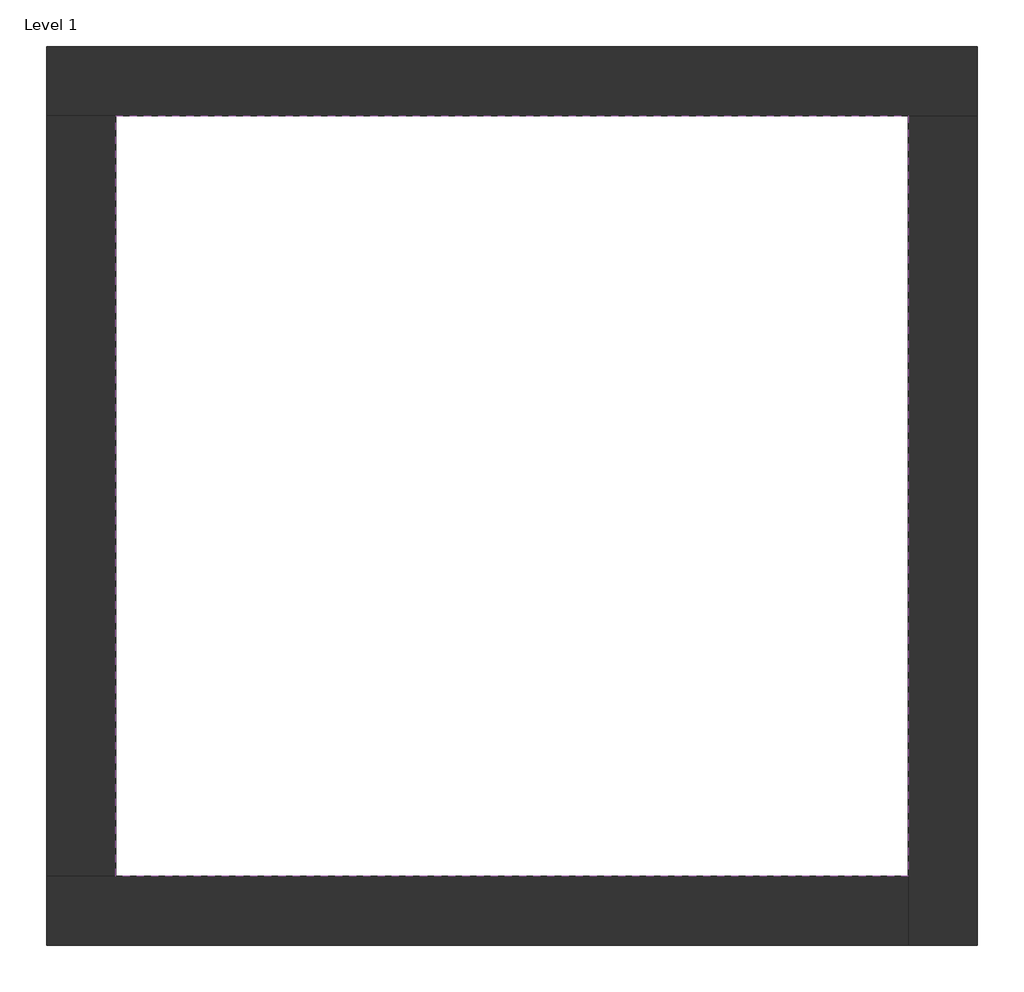
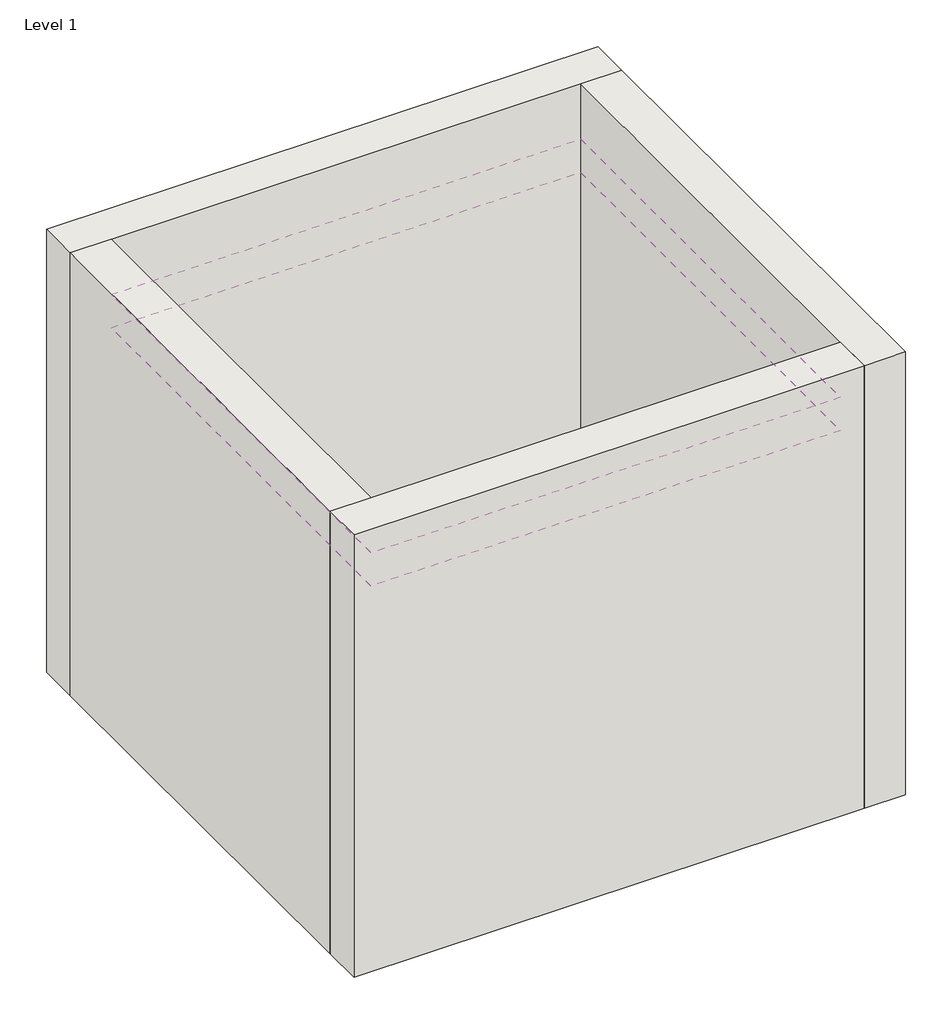
# One storey: 4 walls, 2 coverings.
"""IFC4 building model written with IfcOpenShell, lengths in millimetres."""

from ifc_helpers import new_model, si_unit, frame, origin, origin_with_axes, place, context, project, spatial, polyline, outline, extrude, faceted_brep, element, save

model = new_model("IFC4")

# Units and contexts
model_context = context("Model", 3, world=origin())
ifc_project = project(units=[si_unit("LENGTHUNIT", "METRE", prefix="MILLI")], contexts=[model_context])

# Site, building, storey
site = spatial("IfcSite", under=ifc_project)
building = spatial("IfcBuilding", under=site)
storey = spatial("IfcBuildingStorey", under=building, Name="Level 1", Elevation=0.0)

# Coverings
placement = place(None, origin())
element("IfcCovering", 1, at=placement, inside=storey, context=model_context, shape_type="SweptSolid", body=[
    extrude(outline(polyline([(-14894.8573003, 6921.2750283), (-10882.3573003, 6921.2750283), (-10882.3573003, 3071.2750283), (-14894.8573003, 3071.2750283), (-14894.8573003, 6921.2750283)])), frame((0.0, 0.0, 3500.0), z_axis=(0.0, 0.0, 1.0), x_axis=(1.0, 0.0, 0.0)), (0.0, 0.0, 1.0), 192.0),
])
element("IfcCovering", 2, at=placement, inside=storey, context=model_context, shape_type="SweptSolid", body=[
    extrude(outline(polyline([(-14894.8573003, 6921.8033727), (-10882.3573003, 6921.8033727), (-10882.3573003, 3071.8033727), (-14894.8573003, 3071.8033727), (-14894.8573003, 6921.8033727)])), frame((0.0, 0.0, 3200.0), z_axis=(0.0, 0.0, 1.0), x_axis=(1.0, 0.0, 0.0)), (0.0, 0.0, 1.0), 192.0),
])

# Walls
element("IfcWall", 3, ObjectType="Exterior - Brick on Mtl. Stud", at=placement, inside=storey, context=model_context, shape_type="Brep", body=[
    faceted_brep([(-15244.8573003, 6921.2750283, 0.0), (-14894.8573003, 6921.2750283, 0.0), (-10882.3573003, 6921.2750283, 0.0), (-10532.3573003, 6921.2750283, 0.0), (-10532.3573003, 6921.2750283, 4000.0), (-10882.3573003, 6921.2750283, 4000.0), (-14894.8573003, 6921.2750283, 4000.0), (-15244.8573003, 6921.2750283, 4000.0), (-15244.8573003, 7271.2750283, 0.0), (-15244.8573003, 7271.2750283, 4000.0), (-10532.3573003, 7271.2750283, 4000.0), (-10532.3573003, 7271.2750283, 0.0)], [[[0, 1, 2, 3, 4, 5, 6, 7]], [[8, 9, 10, 11]], [[3, 2, 1, 0, 8, 11]], [[7, 6, 5, 4, 10, 9]], [[0, 7, 9, 8]], [[4, 3, 11, 10]]]),
])
element("IfcWall", 4, ObjectType="Exterior - Brick on Mtl. Stud", at=placement, inside=storey, context=model_context, shape_type="Brep", body=[
    faceted_brep([(-10882.3573003, 6921.2750283, 0.0), (-10882.3573003, 3071.2750283, 0.0), (-10882.3573003, 2721.2750283, 0.0), (-10882.3573003, 2721.2750283, 4000.0), (-10882.3573003, 3071.2750283, 4000.0), (-10882.3573003, 6921.2750283, 4000.0), (-10532.3573003, 6921.2750283, 0.0), (-10532.3573003, 6921.2750283, 4000.0), (-10532.3573003, 2721.2750283, 4000.0), (-10532.3573003, 2721.2750283, 0.0)], [[[0, 1, 2, 3, 4, 5]], [[6, 7, 8, 9]], [[2, 1, 0, 6, 9]], [[5, 4, 3, 8, 7]], [[3, 2, 9, 8]], [[0, 5, 7, 6]]]),
])
element("IfcWall", 5, ObjectType="Exterior - Brick on Mtl. Stud", at=placement, inside=storey, context=model_context, shape_type="Brep", body=[
    faceted_brep([(-10882.3573003, 3071.2750283, 0.0), (-14894.8573003, 3071.2750283, 0.0), (-15244.8573003, 3071.2750283, 0.0), (-15244.8573003, 3071.2750283, 4000.0), (-14894.8573003, 3071.2750283, 4000.0), (-10882.3573003, 3071.2750283, 4000.0), (-10882.3573003, 2721.2750283, 0.0), (-10882.3573003, 2721.2750283, 4000.0), (-15244.8573003, 2721.2750283, 4000.0), (-15244.8573003, 2721.2750283, 0.0)], [[[0, 1, 2, 3, 4, 5]], [[6, 7, 8, 9]], [[2, 1, 0, 6, 9]], [[5, 4, 3, 8, 7]], [[3, 2, 9, 8]], [[0, 5, 7, 6]]]),
])
element("IfcWall", 6, ObjectType="Exterior - Brick on Mtl. Stud", at=placement, inside=storey, context=model_context, shape_type="SweptSolid", body=[
    extrude(outline(polyline([(-14894.8573003, 6921.2750283), (-14894.8573003, 3071.2750283), (-15244.8573003, 3071.2750283), (-15244.8573003, 6921.2750283), (-14894.8573003, 6921.2750283)])), origin_with_axes(), (0.0, 0.0, 1.0), 4000.0),
])

save(model, "model.ifc")
